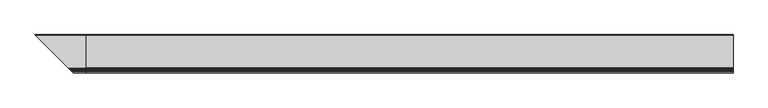
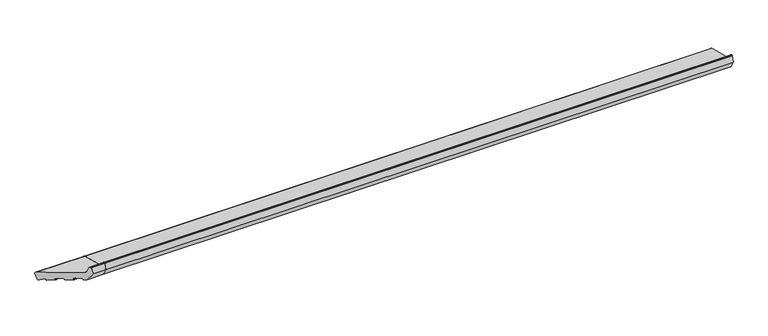
"""IFC4 building model written with IfcOpenShell, lengths in millimetres: proxy geometry."""

from ifc_helpers import new_model, si_unit, point, frame, frame_2d, origin, place, context, project, spatial, polyline, circle_curve, ellipse_curve, trimmed, segment, composite_curve, outline, extrude, source, transform, mapped, element, save
from ifc_brep_helpers import plane_surface, cylinder_surface, revolved_surface, advanced_brep


def generic_models_b370674c(model_context):
    return source(origin(), model_context, "Body", "SolidModel", [
        advanced_brep(
        [(0.0, 24.4386976, 5.4869469), (0.0, 28.1129323, 7.6082672), (0.0, 34.8422274, 32.7223387), (0.0, 32.7209071, 36.3965733), (0.0, -99.1626434, 71.7346642), (0.0, -103.4052841, 75.9773049), (0.0, -108.1879801, 93.8265696), (0.0, -109.6368689, 94.9383411), (0.0, -112.9802434, 94.9383411), (0.0, -114.4291321, 93.8265696), (0.0, -121.0, 69.3037568), (0.0, -103.3223305, 38.685135), (0.0, -94.628998, 36.3557636), (0.0, -93.4042532, 37.0628704), (0.0, -92.368977, 40.9265737), (0.0, -91.1442321, 41.6336805), (0.0, -67.9620123, 35.4220234), (0.0, -67.2549055, 34.1972785), (0.0, -68.2901817, 30.3335752), (0.0, -67.5830749, 29.1088303), (0.0, -45.3667809, 23.1559923), (0.0, -44.142036, 23.8630991), (0.0, -43.1067598, 27.7268024), (0.0, -41.882015, 28.4339092), (0.0, -18.6997951, 22.2222521), (0.0, -17.9926884, 20.9975072), (0.0, -19.0279645, 17.1338039), (0.0, -18.3208578, 15.909059), (0.0, 3.8954362, 9.956221), (0.0, 5.1201811, 10.6633278), (0.0, 6.0694345, 14.2059898), (0.0, 7.5536904, 14.8023515), (0.0, 21.7219201, 6.2149052), (-195.4386976, 24.4386976, 5.4869469), (-199.1129323, 28.1129323, 7.6082672), (-205.8422274, 34.8422274, 32.7223387), (-203.7209071, 32.7209071, 36.3965733), (-71.8373566, -99.1626434, 71.7346642), (-67.5947159, -103.4052841, 75.9773049), (-62.8120199, -108.1879801, 93.8265696), (-61.3631311, -109.6368689, 94.9383411), (-58.0197566, -112.9802434, 94.9383411), (-56.5708679, -114.4291321, 93.8265696), (-50.0, -121.0, 69.3037568), (-67.6776695, -103.3223305, 38.685135), (-76.371002, -94.628998, 36.3557636), (-77.5957468, -93.4042532, 37.0628704), (-78.631023, -92.368977, 40.9265737), (-79.8557679, -91.1442321, 41.6336805), (-103.0379877, -67.9620123, 35.4220234), (-103.7450945, -67.2549055, 34.1972785), (-102.7098183, -68.2901817, 30.3335752), (-103.4169251, -67.5830749, 29.1088303), (-125.6332191, -45.3667809, 23.1559923), (-126.857964, -44.142036, 23.8630991), (-127.8932402, -43.1067598, 27.7268024), (-129.117985, -41.882015, 28.4339092), (-192.7219201, 21.7219201, 6.2149052), (-152.3002049, -18.6997951, 22.2222521), (-151.9720355, -19.0279645, 17.1338039), (-152.6791422, -18.3208578, 15.909059), (-153.0073116, -17.9926884, 20.9975072), (-174.8954362, 3.8954362, 9.956221), (-176.1201811, 5.1201811, 10.6633278), (-177.0694345, 6.0694345, 14.2059898), (-178.5536904, 7.5536904, 14.8023515)],
        [
            (0, 1, circle_curve(frame((0.0, 25.2151548, 8.3847244), z_axis=(1.0, 0.0, 0.0), x_axis=(0.0, 1.0, 0.0)), 3.0)),
            (1, 2),
            (2, 3, circle_curve(frame((0.0, 31.94445, 33.4987958), z_axis=(1.0, 0.0, 0.0), x_axis=(0.0, 1.0, 0.0)), 3.0)),
            (3, 4),
            (4, 5, circle_curve(frame((0.0, -97.6097291, 77.5302191), z_axis=(-1.0, 0.0, 0.0), x_axis=(0.0, 1.0, 0.0)), 6.0)),
            (5, 6),
            (6, 7, circle_curve(frame((0.0, -109.6368689, 93.4383411), z_axis=(1.0, 0.0, 0.0), x_axis=(0.0, 1.0, 0.0)), 1.5)),
            (7, 8),
            (8, 9, circle_curve(frame((0.0, -112.9802434, 93.4383411), z_axis=(1.0, 0.0, 0.0), x_axis=(0.0, 1.0, 0.0)), 1.5)),
            (9, 10),
            (10, 11),
            (11, 12),
            (12, 13, circle_curve(frame((0.0, -94.370179, 37.3216894), z_axis=(1.0, 0.0, 0.0), x_axis=(0.0, 1.0, 0.0)), 1.0)),
            (13, 14),
            (14, 15, circle_curve(frame((0.0, -91.4030512, 40.6677546), z_axis=(-1.0, 0.0, 0.0), x_axis=(0.0, 1.0, 0.0)), 1.0)),
            (15, 16),
            (16, 17, circle_curve(frame((0.0, -68.2208313, 34.4560976), z_axis=(-1.0, 0.0, 0.0), x_axis=(0.0, 1.0, 0.0)), 1.0)),
            (17, 18),
            (18, 19, circle_curve(frame((0.0, -67.3242559, 30.0747562), z_axis=(1.0, 0.0, 0.0), x_axis=(0.0, 1.0, 0.0)), 1.0)),
            (19, 20),
            (20, 21, circle_curve(frame((0.0, -45.1079618, 24.1219181), z_axis=(1.0, 0.0, 0.0), x_axis=(0.0, 1.0, 0.0)), 1.0)),
            (21, 22),
            (22, 23, circle_curve(frame((0.0, -42.140834, 27.4679833), z_axis=(-1.0, 0.0, 0.0), x_axis=(0.0, 1.0, 0.0)), 1.0)),
            (23, 24),
            (24, 25, circle_curve(frame((0.0, -18.9586142, 21.2563263), z_axis=(-1.0, 0.0, 0.0), x_axis=(0.0, 1.0, 0.0)), 1.0)),
            (25, 26),
            (26, 27, circle_curve(frame((0.0, -18.0620387, 16.8749849), z_axis=(1.0, 0.0, 0.0), x_axis=(0.0, 1.0, 0.0)), 1.0)),
            (27, 28),
            (28, 29, circle_curve(frame((0.0, 4.1542553, 10.9221468), z_axis=(1.0, 0.0, 0.0), x_axis=(0.0, 1.0, 0.0)), 1.0)),
            (29, 30),
            (30, 31, circle_curve(frame((0.0, 7.0353604, 13.9471708), z_axis=(-1.0, 0.0, 0.0), x_axis=(0.0, 1.0, 0.0)), 1.0)),
            (31, 32),
            (32, 0),
            (0, 33),
            (33, 34, ellipse_curve(frame((-196.2151548, 25.2151548, 8.3847244), z_axis=(0.707106781186548, 0.7071067811865471, 0.0), x_axis=(-0.707106781186547, 0.707106781186548, 0.0)), 4.2426407, 3.0)),
            (34, 1),
            (34, 35),
            (35, 2),
            (35, 36, ellipse_curve(frame((-202.94445, 31.94445, 33.4987958), z_axis=(0.707106781186548, 0.7071067811865471, 0.0), x_axis=(-0.707106781186547, 0.707106781186548, 0.0)), 4.2426407, 3.0)),
            (36, 3),
            (36, 37),
            (37, 4),
            (37, 38, ellipse_curve(frame((-73.3902709, -97.6097291, 77.5302191), z_axis=(-0.707106781186548, -0.7071067811865471, 0.0), x_axis=(0.707106781186547, -0.707106781186548, 0.0)), 8.4852814, 6.0)),
            (38, 5),
            (38, 39),
            (39, 6),
            (39, 40, ellipse_curve(frame((-61.3631311, -109.6368689, 93.4383411), z_axis=(0.707106781186548, 0.7071067811865471, 0.0), x_axis=(-0.707106781186547, 0.707106781186548, 0.0)), 2.1213203, 1.5)),
            (40, 7),
            (40, 41),
            (41, 8),
            (41, 42, ellipse_curve(frame((-58.0197566, -112.9802434, 93.4383411), z_axis=(0.707106781186548, 0.7071067811865471, 0.0), x_axis=(-0.707106781186547, 0.707106781186548, 0.0)), 2.1213203, 1.5)),
            (42, 9),
            (42, 43),
            (43, 10),
            (43, 44),
            (44, 11),
            (44, 45),
            (45, 12),
            (45, 46, ellipse_curve(frame((-76.629821, -94.370179, 37.3216894), z_axis=(0.707106781186548, 0.7071067811865471, 0.0), x_axis=(-0.707106781186547, 0.707106781186548, 0.0)), 1.4142136, 1.0)),
            (46, 13),
            (46, 47),
            (47, 14),
            (47, 48, ellipse_curve(frame((-79.5969488, -91.4030512, 40.6677546), z_axis=(-0.707106781186548, -0.7071067811865471, 0.0), x_axis=(0.707106781186547, -0.707106781186548, 0.0)), 1.4142136, 1.0)),
            (48, 15),
            (48, 49),
            (49, 16),
            (49, 50, ellipse_curve(frame((-102.7791687, -68.2208313, 34.4560976), z_axis=(-0.707106781186548, -0.7071067811865471, 0.0), x_axis=(0.707106781186547, -0.707106781186548, 0.0)), 1.4142136, 1.0)),
            (50, 17),
            (50, 51),
            (51, 18),
            (51, 52, ellipse_curve(frame((-103.6757441, -67.3242559, 30.0747562), z_axis=(0.707106781186548, 0.7071067811865471, 0.0), x_axis=(-0.707106781186547, 0.707106781186548, 0.0)), 1.4142136, 1.0)),
            (52, 19),
            (52, 53),
            (53, 20),
            (53, 54, ellipse_curve(frame((-125.8920382, -45.1079618, 24.1219181), z_axis=(0.707106781186548, 0.7071067811865471, 0.0), x_axis=(-0.707106781186547, 0.707106781186548, 0.0)), 1.4142136, 1.0)),
            (54, 21),
            (54, 55),
            (55, 22),
            (55, 56, ellipse_curve(frame((-128.859166, -42.140834, 27.4679833), z_axis=(-0.707106781186548, -0.7071067811865471, 0.0), x_axis=(0.707106781186547, -0.707106781186548, 0.0)), 1.4142136, 1.0)),
            (56, 23),
            (32, 57),
            (57, 33),
            (56, 58),
            (58, 24),
            (26, 59),
            (59, 60, ellipse_curve(frame((-152.9379613, -18.0620387, 16.8749849), z_axis=(0.707106781186548, 0.7071067811865471, 0.0), x_axis=(-0.707106781186547, 0.707106781186548, 0.0)), 1.4142136, 1.0)),
            (60, 27),
            (25, 61),
            (61, 59),
            (58, 61, ellipse_curve(frame((-152.0413858, -18.9586142, 21.2563263), z_axis=(-0.707106781186548, -0.7071067811865471, 0.0), x_axis=(0.707106781186547, -0.707106781186548, 0.0)), 1.4142136, 1.0)),
            (60, 62),
            (62, 28),
            (62, 63, ellipse_curve(frame((-175.1542553, 4.1542553, 10.9221468), z_axis=(0.707106781186548, 0.7071067811865471, 0.0), x_axis=(-0.707106781186547, 0.707106781186548, 0.0)), 1.4142136, 1.0)),
            (63, 29),
            (63, 64),
            (64, 30),
            (64, 65, ellipse_curve(frame((-178.0353604, 7.0353604, 13.9471708), z_axis=(-0.707106781186548, -0.7071067811865471, 0.0), x_axis=(0.707106781186547, -0.707106781186548, 0.0)), 1.4142136, 1.0)),
            (65, 31),
            (65, 57),
        ],
        [
            plane_surface(frame((0.0, 0.0, 0.0), z_axis=(1.0, 0.0, 0.0), x_axis=(0.0, 0.0, 1.0))),
            cylinder_surface(frame((-206.3741644, 25.2151548, 8.3847244), z_axis=(-1.0, 0.0, 0.0), x_axis=(0.0, 1.0, 0.0)), 3.0),
            plane_surface(frame((-206.3741644, 34.8422274, 32.7223387), z_axis=(0.0, 0.9659258262890686, -0.2588190451025195), x_axis=(1.0, 0.0, 0.0))),
            cylinder_surface(frame((-206.3741644, 31.94445, 33.4987958), z_axis=(-1.0, 0.0, 0.0), x_axis=(0.0, 1.0, 0.0)), 3.0),
            plane_surface(frame((-206.3741644, -99.1626434, 71.7346642), z_axis=(0.0, 0.2588190451025208, 0.9659258262890683), x_axis=(1.0, 0.0, 0.0))),
            revolved_surface(polyline([(0.0, -91.6097291, 77.5302191), (-79.39027091821606, -91.6097291, 77.5302191)]), (-206.3741644, -97.6097291, 77.5302191), (1.0, 0.0, 0.0)),
            plane_surface(frame((-206.3741644, -108.1879801, 93.8265696), z_axis=(0.0, 0.9659258262890682, 0.2588190451025212), x_axis=(1.0, 0.0, 0.0))),
            cylinder_surface(frame((-206.3741644, -109.6368689, 93.4383411), z_axis=(-1.0, 0.0, 0.0), x_axis=(0.0, 1.0, 0.0)), 1.5),
            plane_surface(frame((-206.3741644, -112.9802434, 94.9383411), z_axis=(0.0, 0.0, 1.0), x_axis=(1.0, 0.0, 0.0))),
            cylinder_surface(frame((-206.3741644, -112.9802434, 93.4383411), z_axis=(-1.0, 0.0, 0.0), x_axis=(0.0, 1.0, 0.0)), 1.5),
            plane_surface(frame((-206.3741644, -121.0, 69.3037568), z_axis=(0.0, -0.9659258262890684, 0.2588190451025204), x_axis=(1.0, 0.0, 0.0))),
            plane_surface(frame((-206.3741644, -103.3223305, 38.685135), z_axis=(0.0, -0.8660254037844387, -0.4999999999999999), x_axis=(1.0, 0.0, 0.0))),
            plane_surface(frame((-206.3741644, -94.628998, 36.3557636), z_axis=(0.0, -0.2588190451025165, -0.9659258262890695), x_axis=(1.0, 0.0, 0.0))),
            cylinder_surface(frame((-206.3741644, -94.370179, 37.3216894), z_axis=(-1.0, 0.0, 0.0), x_axis=(0.0, 1.0, 0.0)), 1.0),
            plane_surface(frame((-206.3741644, -92.368977, 40.9265737), z_axis=(0.0, 0.9659258262890698, -0.2588190451025152), x_axis=(1.0, 0.0, 0.0))),
            revolved_surface(polyline([(0.0, -90.4030512, 40.6677546), (-80.59694882660625, -90.4030512, 40.6677546)]), (-206.3741644, -91.4030512, 40.6677546), (1.0, 0.0, 0.0)),
            plane_surface(frame((-206.3741644, -67.9620123, 35.4220234), z_axis=(0.0, -0.2588190451025194, -0.9659258262890686), x_axis=(1.0, 0.0, 0.0))),
            revolved_surface(polyline([(0.0, -67.2208313, 34.4560976), (-103.77916872660624, -67.2208313, 34.4560976)]), (-206.3741644, -68.2208313, 34.4560976), (1.0, 0.0, 0.0)),
            plane_surface(frame((-206.3741644, -68.2901817, 30.3335752), z_axis=(0.0, -0.9659258262890703, 0.25881904510251325), x_axis=(1.0, 0.0, 0.0))),
            cylinder_surface(frame((-206.3741644, -67.3242559, 30.0747562), z_axis=(-1.0, 0.0, 0.0), x_axis=(0.0, 1.0, 0.0)), 1.0),
            plane_surface(frame((-206.3741644, -45.3667809, 23.1559923), z_axis=(0.0, -0.2588190451025213, -0.9659258262890682), x_axis=(1.0, 0.0, 0.0))),
            cylinder_surface(frame((-206.3741644, -45.1079618, 24.1219181), z_axis=(-1.0, 0.0, 0.0), x_axis=(0.0, 1.0, 0.0)), 1.0),
            plane_surface(frame((-206.3741644, -43.1067598, 27.7268024), z_axis=(0.0, 0.9659258262890698, -0.2588190451025152), x_axis=(1.0, 0.0, 0.0))),
            revolved_surface(polyline([(0.0, -41.140834, 27.4679833), (-129.85916602660623, -41.140834, 27.4679833)]), (-206.3741644, -42.140834, 27.4679833), (1.0, 0.0, 0.0)),
            plane_surface(frame((-206.3741644, 24.4386976, 5.4869469), z_axis=(0.0, -0.25881904510252585, -0.9659258262890669), x_axis=(1.0, 0.0, 0.0))),
            plane_surface(frame((-206.3741644, -18.6997951, 22.2222521), z_axis=(0.0, -0.25881904510252046, -0.9659258262890684), x_axis=(1.0, 0.0, 0.0))),
            cylinder_surface(frame((-206.3741644, -18.0620387, 16.8749849), z_axis=(-1.0, 0.0, 0.0), x_axis=(0.0, 1.0, 0.0)), 1.0),
            plane_surface(frame((-206.3741644, -19.0279645, 17.1338039), z_axis=(0.0, -0.9659258262890703, 0.25881904510251325), x_axis=(1.0, 0.0, 0.0))),
            revolved_surface(polyline([(0.0, -17.9586142, 21.2563263), (-153.04138582660624, -17.9586142, 21.2563263)]), (-206.3741644, -18.9586142, 21.2563263), (1.0, 0.0, 0.0)),
            plane_surface(frame((-206.3741644, 3.8954362, 9.956221), z_axis=(0.0, -0.2588190451025213, -0.9659258262890682), x_axis=(1.0, 0.0, 0.0))),
            cylinder_surface(frame((-206.3741644, 4.1542553, 10.9221468), z_axis=(-1.0, 0.0, 0.0), x_axis=(0.0, 1.0, 0.0)), 1.0),
            plane_surface(frame((-206.3741644, 6.0694345, 14.2059898), z_axis=(0.0, 0.965925826289068, -0.2588190451025223), x_axis=(1.0, 0.0, 0.0))),
            revolved_surface(polyline([(0.0, 8.0353604, 13.9471708), (-179.03536042660625, 8.0353604, 13.9471708)]), (-206.3741644, 7.0353604, 13.9471708), (1.0, 0.0, 0.0)),
            plane_surface(frame((-206.3741644, 21.7219201, 6.2149052), z_axis=(0.0, -0.5183299834329756, -0.8551806991942529), x_axis=(1.0, 0.0, 0.0))),
            plane_surface(frame((-152.2045815, -18.7954185, 0.0), z_axis=(-0.707106781186548, -0.7071067811865471, 0.0), x_axis=(0.0, 0.0, 1.0))),
        ],
        [
            (0, [[1, 2, 3, 4, 5, 6, 7, 8, 9, 10, 11, 12, 13, 14, 15, 16, 17, 18, 19, 20, 21, 22, 23, 24, 25, 26, 27, 28, 29, 30, 31, 32, 33]]),
            (1, [[-1, 34, 35, 36]]),
            (2, [[-2, -36, 37, 38]]),
            (3, [[-3, -38, 39, 40]]),
            (4, [[-4, -40, 41, 42]]),
            (5, [[-5, -42, 43, 44]]),
            (6, [[-6, -44, 45, 46]]),
            (7, [[-7, -46, 47, 48]]),
            (8, [[-8, -48, 49, 50]]),
            (9, [[-9, -50, 51, 52]]),
            (10, [[-10, -52, 53, 54]]),
            (11, [[-11, -54, 55, 56]]),
            (12, [[-12, -56, 57, 58]]),
            (13, [[-13, -58, 59, 60]]),
            (14, [[-14, -60, 61, 62]]),
            (15, [[-15, -62, 63, 64]]),
            (16, [[-16, -64, 65, 66]]),
            (17, [[-17, -66, 67, 68]]),
            (18, [[-18, -68, 69, 70]]),
            (19, [[-19, -70, 71, 72]]),
            (20, [[-20, -72, 73, 74]]),
            (21, [[-21, -74, 75, 76]]),
            (22, [[-22, -76, 77, 78]]),
            (23, [[-23, -78, 79, 80]]),
            (24, [[-33, 81, 82, -34]]),
            (25, [[-24, -80, 83, 84]]),
            (26, [[-27, 85, 86, 87]]),
            (27, [[-26, 88, 89, -85]]),
            (28, [[-25, -84, 90, -88]]),
            (29, [[-28, -87, 91, 92]]),
            (30, [[-29, -92, 93, 94]]),
            (31, [[-30, -94, 95, 96]]),
            (32, [[-31, -96, 97, 98]]),
            (33, [[-32, -98, 99, -81]]),
            (34, [[-35, -82, -99, -97, -95, -93, -91, -86, -89, -90, -83, -79, -77, -75, -73, -71, -69, -67, -65, -63, -61, -59, -57, -55, -53, -51, -49, -47, -45, -43, -41, -39, -37]]),
        ],
    ),
        extrude(outline(composite_curve([segment(polyline([(24.4386976, 5.4869469), (21.7219201, 6.2149052), (7.5536904, 14.8023515)]), True, "CONTINUOUS"), segment(trimmed(circle_curve(frame_2d((7.0353604, 13.9471708)), 1.0), [point((7.5536904, 14.8023515))], [point((6.0694345, 14.2059898))], True, "CARTESIAN"), True, "CONTINUOUS"), segment(polyline([(6.0694345, 14.2059898), (5.1201811, 10.6633278)]), True, "CONTINUOUS"), segment(trimmed(circle_curve(frame_2d((4.1542553, 10.9221468)), 1.0), [point((5.1201811, 10.6633278))], [point((3.8954362, 9.956221))], False, "CARTESIAN"), True, "CONTINUOUS"), segment(polyline([(3.8954362, 9.956221), (-18.3208578, 15.909059)]), True, "CONTINUOUS"), segment(trimmed(circle_curve(frame_2d((-18.0620387, 16.8749849)), 1.0), [point((-18.3208578, 15.909059))], [point((-19.0279645, 17.1338039))], False, "CARTESIAN"), True, "CONTINUOUS"), segment(polyline([(-19.0279645, 17.1338039), (-17.9926884, 20.9975072)]), True, "CONTINUOUS"), segment(trimmed(circle_curve(frame_2d((-18.9586142, 21.2563263)), 1.0), [point((-17.9926884, 20.9975072))], [point((-18.6997951, 22.2222521))], True, "CARTESIAN"), True, "CONTINUOUS"), segment(polyline([(-18.6997951, 22.2222521), (-41.882015, 28.4339092)]), True, "CONTINUOUS"), segment(trimmed(circle_curve(frame_2d((-42.140834, 27.4679833)), 1.0), [point((-41.882015, 28.4339092))], [point((-43.1067598, 27.7268024))], True, "CARTESIAN"), True, "CONTINUOUS"), segment(polyline([(-43.1067598, 27.7268024), (-44.142036, 23.8630991)]), True, "CONTINUOUS"), segment(trimmed(circle_curve(frame_2d((-45.1079618, 24.1219181)), 1.0), [point((-44.142036, 23.8630991))], [point((-45.3667809, 23.1559923))], False, "CARTESIAN"), True, "CONTINUOUS"), segment(polyline([(-45.3667809, 23.1559923), (-67.5830749, 29.1088303)]), True, "CONTINUOUS"), segment(trimmed(circle_curve(frame_2d((-67.3242559, 30.0747562)), 1.0), [point((-67.5830749, 29.1088303))], [point((-68.2901817, 30.3335752))], False, "CARTESIAN"), True, "CONTINUOUS"), segment(polyline([(-68.2901817, 30.3335752), (-67.2549055, 34.1972785)]), True, "CONTINUOUS"), segment(trimmed(circle_curve(frame_2d((-68.2208313, 34.4560976)), 1.0), [point((-67.2549055, 34.1972785))], [point((-67.9620123, 35.4220234))], True, "CARTESIAN"), True, "CONTINUOUS"), segment(polyline([(-67.9620123, 35.4220234), (-91.1442321, 41.6336805)]), True, "CONTINUOUS"), segment(trimmed(circle_curve(frame_2d((-91.4030512, 40.6677546)), 1.0), [point((-91.1442321, 41.6336805))], [point((-92.368977, 40.9265737))], True, "CARTESIAN"), True, "CONTINUOUS"), segment(polyline([(-92.368977, 40.9265737), (-93.4042532, 37.0628704)]), True, "CONTINUOUS"), segment(trimmed(circle_curve(frame_2d((-94.370179, 37.3216894)), 1.0), [point((-93.4042532, 37.0628704))], [point((-94.628998, 36.3557636))], False, "CARTESIAN"), True, "CONTINUOUS"), segment(polyline([(-94.628998, 36.3557636), (-103.3223305, 38.685135), (-121.0, 69.3037568), (-114.4291321, 93.8265696)]), True, "CONTINUOUS"), segment(trimmed(circle_curve(frame_2d((-112.9802434, 93.4383411)), 1.5), [point((-114.4291321, 93.8265696))], [point((-112.9802434, 94.9383411))], False, "CARTESIAN"), True, "CONTINUOUS"), segment(polyline([(-112.9802434, 94.9383411), (-109.6368689, 94.9383411)]), True, "CONTINUOUS"), segment(trimmed(circle_curve(frame_2d((-109.6368689, 93.4383411)), 1.5), [point((-109.6368689, 94.9383411))], [point((-108.1879801, 93.8265696))], False, "CARTESIAN"), True, "CONTINUOUS"), segment(polyline([(-108.1879801, 93.8265696), (-103.4052841, 75.9773049)]), True, "CONTINUOUS"), segment(trimmed(circle_curve(frame_2d((-97.6097291, 77.5302191)), 6.0), [point((-103.4052841, 75.9773049))], [point((-99.1626434, 71.7346642))], True, "CARTESIAN"), True, "CONTINUOUS"), segment(polyline([(-99.1626434, 71.7346642), (32.7209071, 36.3965733)]), True, "CONTINUOUS"), segment(trimmed(circle_curve(frame_2d((31.94445, 33.4987958)), 3.0), [point((32.7209071, 36.3965733))], [point((34.8422274, 32.7223387))], False, "CARTESIAN"), True, "CONTINUOUS"), segment(polyline([(34.8422274, 32.7223387), (28.1129323, 7.6082672)]), True, "CONTINUOUS"), segment(trimmed(circle_curve(frame_2d((25.2151548, 8.3847244)), 3.0), [point((28.1129323, 7.6082672))], [point((24.4386976, 5.4869469))], False, "CARTESIAN"), True, "CONTINUOUS")], self_intersect=False)), frame((0.0, 0.0, 0.0), z_axis=(1.0, 0.0, 0.0), x_axis=(0.0, 1.0, 0.0)), (0.0, 0.0, 1.0), 2620.0),
    ])


if __name__ == "__main__":
    model = new_model("IFC4")
    model_context = context("Model", 3, world=origin())
    ifc_project = project(units=[si_unit("LENGTHUNIT", "METRE", prefix="MILLI")], contexts=[model_context])
    site = spatial("IfcSite", under=ifc_project)
    building = spatial("IfcBuilding", under=site)
    placement = place(None, origin())
    generic_models_shape = generic_models_b370674c(model_context)
    element("IfcBuildingElementProxy", 1, Name="Generic Models", at=placement, inside=building, context=model_context, shape_type="MappedRepresentation", body=[
        mapped(generic_models_shape, transform((0.0, 0.0, 0.0), x_axis=(1.0, 0.0, 0.0), y_axis=(0.0, 1.0, 0.0), z_axis=(0.0, 0.0, 1.0))),
    ])
    save(model, "model.ifc")
